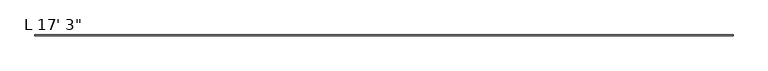
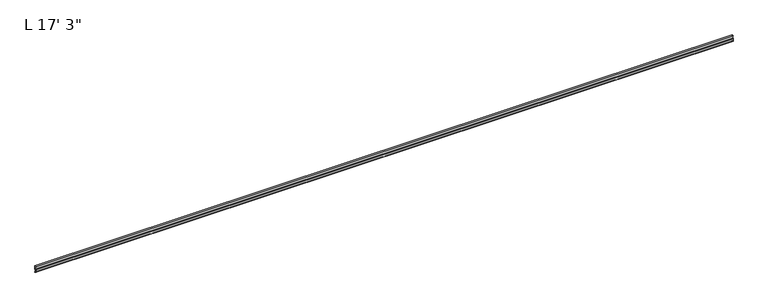
"""IFC4 building model written with IfcOpenShell, lengths in millimetres: proxy geometry."""

from ifc_helpers import new_model, si_unit, point, frame, frame_2d, origin, place, context, project, spatial, polyline, circle_curve, trimmed, segment, composite_curve, outline, extrude, source, transform, mapped, element, save


def proxy_0e8d8823(model_context):
    return source(origin(), model_context, "Body", "SweptSolid", [
        extrude(outline(composite_curve([segment(polyline([(-13.6400687, -32.1158903), (-15.4750158, -32.6885982)]), True, "CONTINUOUS"), segment(trimmed(circle_curve(frame_2d((-15.6853088, -32.2686835)), 0.4696291), [point((-15.4750158, -32.6885982))], [point((-16.1549378, -32.2686835))], False, "CARTESIAN"), True, "CONTINUOUS"), segment(polyline([(-16.1549378, -32.2686835), (-16.1549378, -30.7270734)]), True, "CONTINUOUS"), segment(trimmed(circle_curve(frame_2d((-17.7424378, -30.7270734)), 1.5875), [point((-16.1549378, -30.7270734))], [point((-17.7424378, -29.1395734))], True, "CARTESIAN"), True, "CONTINUOUS"), segment(polyline([(-17.7424378, -29.1395734), (-19.05, -29.1395734), (-19.05, -8.5020734)]), True, "CONTINUOUS"), segment(trimmed(circle_curve(frame_2d((-17.4625, -8.5020734)), 1.5875), [point((-19.05, -8.5020734))], [point((-17.4625, -6.9145734))], False, "CARTESIAN"), True, "CONTINUOUS"), segment(polyline([(-17.4625, -6.9145734), (-12.7, -6.9145734), (-12.7, 15.2917515), (-17.4625, 15.2917515), (-17.4625, 13.7042515), (-19.05, 13.7042515), (-19.05, 16.8792515), (-11.1125, 16.8792515), (-11.1125, -8.5248329), (-15.875, -8.5248329)]), True, "CONTINUOUS"), segment(trimmed(circle_curve(frame_2d((-15.875, -10.1123329)), 1.5875), [point((-15.875, -8.5248329))], [point((-17.4625, -10.1123329))], True, "CARTESIAN"), True, "CONTINUOUS"), segment(polyline([(-17.4625, -10.1123329), (-17.4625, -12.4909614), (-17.9716639, -13.408381), (-17.9716639, -14.7485418), (-17.4625, -15.6659614), (-17.4625, -26.8535734)]), True, "CONTINUOUS"), segment(trimmed(circle_curve(frame_2d((-16.9545, -26.8535734)), 0.508), [point((-17.4625, -26.8535734))], [point((-16.9376166, -27.3612928))], True, "CARTESIAN"), True, "CONTINUOUS"), segment(trimmed(circle_curve(frame_2d((-16.9169378, -26.5995734)), 0.762), [point((-16.9376166, -27.3612928))], [point((-16.1779173, -26.4138515))], True, "CARTESIAN"), True, "CONTINUOUS"), segment(trimmed(circle_curve(frame_2d((-15.6245238, -26.2747792)), 0.5706009), [point((-16.1779173, -26.4138515))], [point((-15.4364113, -25.7360779))], False, "CARTESIAN"), True, "CONTINUOUS"), segment(polyline([(-15.4364113, -25.7360779), (-13.6400687, -26.2967369)]), True, "CONTINUOUS"), segment(trimmed(circle_curve(frame_2d((-14.5481808, -29.2063136)), 3.048), [point((-13.6400687, -26.2967369))], [point((-11.9462301, -30.7938136))], False, "CARTESIAN"), True, "CONTINUOUS"), segment(trimmed(circle_curve(frame_2d((-14.5481808, -29.2063136)), 3.048), [point((-11.9462301, -30.7938136))], [point((-13.6400687, -32.1158903))], False, "CARTESIAN"), True, "CONTINUOUS")], self_intersect=False)), frame((-4953.0, 0.0, 0.0), z_axis=(1.0, 0.0, 0.0), x_axis=(0.0, 1.0, 0.0)), (0.0, 0.0, 1.0), 5257.8),
    ])


if __name__ == "__main__":
    model = new_model("IFC4")
    model_context = context("Model", 3, world=origin())
    ifc_project = project(units=[si_unit("LENGTHUNIT", "METRE", prefix="MILLI")], contexts=[model_context])
    site = spatial("IfcSite", under=ifc_project)
    building = spatial("IfcBuilding", under=site)
    placement = place(None, origin())
    proxy_shape = proxy_0e8d8823(model_context)
    element("IfcBuildingElementProxy", 1, Name="L 17' 3\"", ObjectType="L 17' 3\"", at=placement, inside=building, context=model_context, shape_type="MappedRepresentation", body=[
        mapped(proxy_shape, transform((0.0, 0.0, 0.0), x_axis=(1.0, 0.0, 0.0), y_axis=(0.0, 1.0, 0.0), z_axis=(0.0, 0.0, 1.0))),
    ])
    save(model, "model.ifc")
